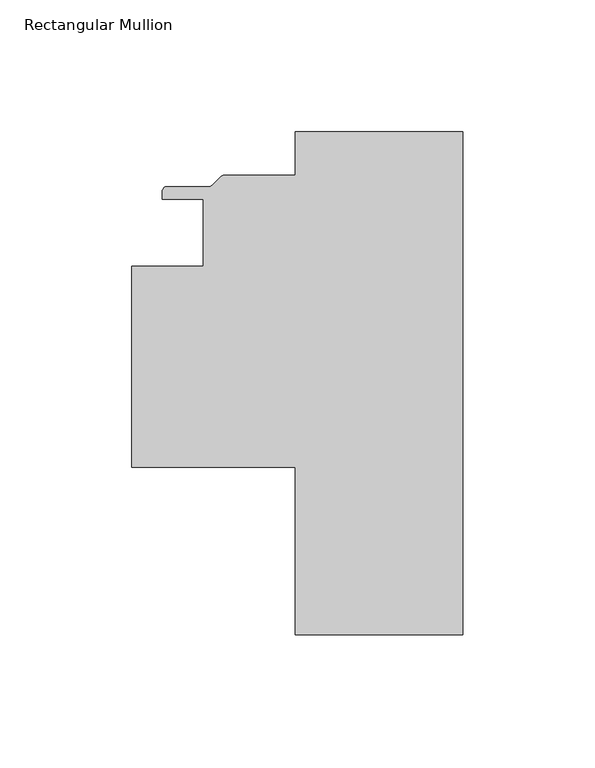
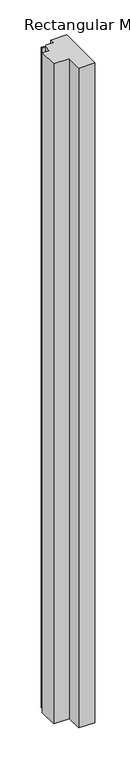
"""IFC4 building model written with IfcOpenShell, lengths in millimetres: member geometry, Rectangular Mullion."""

from ifc_helpers import new_model, si_unit, point, frame, frame_2d, origin, place, context, project, spatial, polyline, circle_curve, trimmed, segment, composite_curve, outline, extrude, source, transform, mapped, element, save


def rectangular_mullion_36d0aac4(model_context):
    return source(origin(), model_context, "Body", "SweptSolid", [
        extrude(outline(composite_curve([segment(polyline([(-63.5, -190.499995), (-63.5, -127.000794), (-125.4087917, -127.000794), (-125.4087917, -50.8007942), (-98.4212916, -50.8007942), (-98.4212916, -25.4007941), (-113.9224413, -25.4007941), (-113.9224413, -22.479794)]), True, "CONTINUOUS"), segment(trimmed(circle_curve(frame_2d((-112.1444413, -22.479794)), 1.778), [point((-113.9224413, -22.479794))], [point((-112.1444413, -20.701794))], False, "CARTESIAN"), True, "CONTINUOUS"), segment(polyline([(-112.1444413, -20.701794), (-96.2764052, -20.701794)]), True, "CONTINUOUS"), segment(trimmed(circle_curve(frame_2d((-96.2764052, -18.923794)), 1.778), [point((-96.2764052, -20.701794))], [point((-95.0191693, -20.1810299))], True, "CARTESIAN"), True, "CONTINUOUS"), segment(polyline([(-95.0191693, -20.1810299), (-91.7934976, -16.9553581)]), True, "CONTINUOUS"), segment(trimmed(circle_curve(frame_2d((-90.5362618, -18.212594)), 1.778), [point((-91.7934976, -16.9553581))], [point((-90.5362618, -16.434594))], False, "CARTESIAN"), True, "CONTINUOUS"), segment(polyline([(-90.5362618, -16.434594), (-63.5, -16.434594), (-63.5, 0.0), (0.0, 0.0), (0.0, -190.499995), (-63.5, -190.499995)]), True, "CONTINUOUS")], self_intersect=False)), frame((0.0, 0.0, -2743.2), z_axis=(0.0, 0.0, 1.0), x_axis=(1.0, 0.0, 0.0)), (0.0, 0.0, 1.0), 2743.2),
    ])


if __name__ == "__main__":
    model = new_model("IFC4")
    model_context = context("Model", 3, world=origin())
    ifc_project = project(units=[si_unit("LENGTHUNIT", "METRE", prefix="MILLI")], contexts=[model_context])
    site = spatial("IfcSite", under=ifc_project)
    building = spatial("IfcBuilding", under=site)
    placement = place(None, origin())
    rectangular_mullion_shape = rectangular_mullion_36d0aac4(model_context)
    element("IfcMember", 1, ObjectType="Rectangular Mullion", at=placement, inside=building, context=model_context, shape_type="MappedRepresentation", body=[
        mapped(rectangular_mullion_shape, transform((0.0, 0.0, 0.0), x_axis=(1.0, 0.0, 0.0), y_axis=(0.0, 1.0, 0.0), z_axis=(0.0, 0.0, 1.0))),
    ])
    save(model, "model.ifc")
